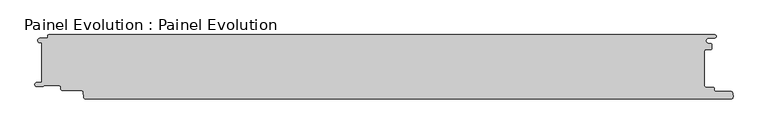
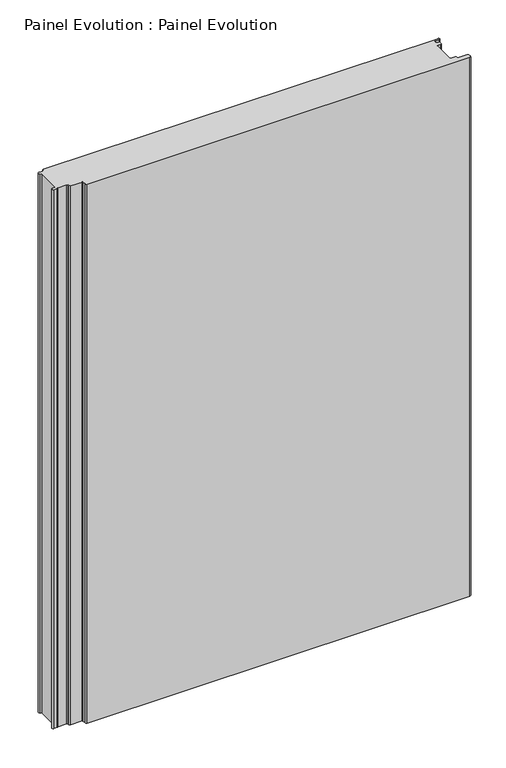
"""IFC4 building model written with IfcOpenShell, lengths in millimetres: proxy geometry, Painel Evolution : Painel Evolution."""

from ifc_helpers import new_model, si_unit, point, frame_2d, origin, origin_with_axes, place, context, project, spatial, polyline, circle_curve, trimmed, segment, composite_curve, outline, extrude, source, transform, mapped, element, save


def painel_evolution_painel_evolution_28e3cf3b(model_context):
    return source(origin(), model_context, "Body", "SweptSolid", [
        extrude(outline(composite_curve([segment(trimmed(circle_curve(frame_2d((511.313274, 34.7225035)), 1.5999999), [point((511.5911111, 36.2981958))], [point((512.912729, 34.7642596))], False, "CARTESIAN"), True, "CONTINUOUS"), segment(polyline([(512.912729, 34.7642596), (512.912729, 28.1436506)]), True, "CONTINUOUS"), segment(trimmed(circle_curve(frame_2d((511.8673147, 28.1436506)), 1.0454142), [point((512.912729, 28.1436506))], [point((511.8673147, 27.0982364))], False, "CARTESIAN"), True, "CONTINUOUS"), segment(polyline([(511.8673147, 27.0982364), (503.9512072, 27.0982364)]), True, "CONTINUOUS"), segment(trimmed(circle_curve(frame_2d((503.9512072, 24.7482365)), 2.3499999), [point((503.9512072, 27.0982364))], [point((501.6012073, 24.7482365))], True, "CARTESIAN"), True, "CONTINUOUS"), segment(polyline([(501.6012073, 24.7482365), (501.6012073, -29.6548179)]), True, "CONTINUOUS"), segment(trimmed(circle_curve(frame_2d((503.9512072, -29.6548179)), 2.3499999), [point((501.6012073, -29.6548179))], [point((503.9512072, -32.0048179))], True, "CARTESIAN"), True, "CONTINUOUS"), segment(polyline([(503.9512072, -32.0048179), (514.620698, -32.0048179)]), True, "CONTINUOUS"), segment(trimmed(circle_curve(frame_2d((514.620698, -34.4048179)), 2.4), [point((514.620698, -32.0048179))], [point((517.020698, -34.4048179))], False, "CARTESIAN"), True, "CONTINUOUS"), segment(polyline([(517.020698, -34.4048179), (517.020698, -36.4048176)]), True, "CONTINUOUS"), segment(trimmed(circle_curve(frame_2d((518.620698, -36.4048176)), 1.6), [point((517.020698, -36.4048176))], [point((518.620698, -38.0048176))], True, "CARTESIAN"), True, "CONTINUOUS"), segment(polyline([(518.620698, -38.0048176), (542.0114544, -38.0048176)]), True, "CONTINUOUS"), segment(trimmed(circle_curve(frame_2d((542.0114544, -41.7048175)), 3.6999999), [point((542.0114544, -38.0048176))], [point((545.6606899, -41.0940152))], False, "CARTESIAN"), True, "CONTINUOUS"), segment(polyline([(545.6606899, -41.0940152), (546.1021208, -46.1370337)]), True, "CONTINUOUS"), segment(trimmed(circle_curve(frame_2d((542.5514013, -46.4373369)), 3.563396), [point((546.1021208, -46.1370337))], [point((542.6236695, -50.0))], False, "CARTESIAN"), True, "CONTINUOUS"), segment(polyline([(542.6236695, -50.0), (-459.4023864, -50.0)]), True, "CONTINUOUS"), segment(trimmed(circle_curve(frame_2d((-459.3507103, -47.1106339)), 2.8898282), [point((-459.4023864, -50.0))], [point((-462.2295384, -47.3625382))], False, "CARTESIAN"), True, "CONTINUOUS"), segment(polyline([(-462.2295384, -47.3625382), (-462.9760411, -38.8313116)]), True, "CONTINUOUS"), segment(trimmed(circle_curve(frame_2d((-464.9959051, -39.0080546)), 2.027582), [point((-462.9760411, -38.8313116))], [point((-463.3872648, -37.7738078))], True, "CARTESIAN"), True, "CONTINUOUS"), segment(trimmed(circle_curve(frame_2d((-464.9740222, -38.9912647)), 2.0), [point((-463.3872648, -37.7738078))], [point((-464.9818684, -36.99128))], True, "CARTESIAN"), True, "CONTINUOUS"), segment(polyline([(-464.9818684, -36.99128), (-494.9687938, -36.99128)]), True, "CONTINUOUS"), segment(trimmed(circle_curve(frame_2d((-494.9687938, -34.19128)), 2.8), [point((-494.9687938, -36.99128))], [point((-497.7687939, -34.19128))], False, "CARTESIAN"), True, "CONTINUOUS"), segment(polyline([(-497.7687939, -34.19128), (-497.7687939, -31.9007195)]), True, "CONTINUOUS"), segment(trimmed(circle_curve(frame_2d((-500.7687939, -31.9007195)), 3.0), [point((-497.7687939, -31.9007195))], [point((-500.7687939, -28.9007195))], True, "CARTESIAN"), True, "CONTINUOUS"), segment(polyline([(-500.7687939, -28.9007195), (-522.8062687, -28.9007195)]), True, "CONTINUOUS"), segment(trimmed(circle_curve(frame_2d((-522.8062687, -30.5007195)), 1.6), [point((-522.8062687, -28.9007195))], [point((-524.0123453, -29.4493494))], True, "CARTESIAN"), True, "CONTINUOUS"), segment(trimmed(circle_curve(frame_2d((-526.7593331, -27.7294942)), 3.2409634), [point((-524.0123453, -29.4493494))], [point((-525.2140128, -30.5783236))], False, "CARTESIAN"), True, "CONTINUOUS"), segment(trimmed(circle_curve(frame_2d((-526.3266399, -28.4518098)), 2.4), [point((-525.2140128, -30.5783236))], [point((-526.4215824, -30.8499312))], False, "CARTESIAN"), True, "CONTINUOUS"), segment(polyline([(-526.4215824, -30.8499312), (-534.7667193, -30.8499312)]), True, "CONTINUOUS"), segment(trimmed(circle_curve(frame_2d((-534.7667193, -27.5812398)), 3.2686913), [point((-534.7667193, -30.8499312))], [point((-534.9577702, -24.3181366))], False, "CARTESIAN"), True, "CONTINUOUS"), segment(polyline([(-534.9577702, -24.3181366), (-527.1155186, -24.3181366), (-527.1155186, 37.4922678), (-530.6488863, 37.4922678)]), True, "CONTINUOUS"), segment(trimmed(circle_curve(frame_2d((-529.8390625, 41.0)), 3.6), [point((-530.6488863, 37.4922678))], [point((-529.8390625, 44.6))], False, "CARTESIAN"), True, "CONTINUOUS"), segment(polyline([(-529.8390625, 44.6), (-520.0390625, 44.6)]), True, "CONTINUOUS"), segment(trimmed(circle_curve(frame_2d((-520.0390625, 46.6)), 2.0), [point((-520.0390625, 44.6))], [point((-518.0390625, 46.6))], True, "CARTESIAN"), True, "CONTINUOUS"), segment(polyline([(-518.0390625, 46.6), (-518.0390625, 48.0)]), True, "CONTINUOUS"), segment(trimmed(circle_curve(frame_2d((-516.0390625, 48.0)), 2.0), [point((-518.0390625, 48.0))], [point((-516.0390625, 50.0))], False, "CARTESIAN"), True, "CONTINUOUS"), segment(polyline([(-516.0390625, 50.0), (517.4609375, 50.0)]), True, "CONTINUOUS"), segment(trimmed(circle_curve(frame_2d((517.4609375, 47.5)), 2.5), [point((517.4609375, 50.0))], [point((517.4609375, 45.0))], False, "CARTESIAN"), True, "CONTINUOUS"), segment(polyline([(517.4609375, 45.0), (508.1893843, 45.0)]), True, "CONTINUOUS"), segment(trimmed(circle_curve(frame_2d((508.1893843, 40.6490979)), 4.3509021), [point((508.1893843, 45.0))], [point((508.1893843, 36.2981958))], True, "CARTESIAN"), True, "CONTINUOUS"), segment(polyline([(508.1893843, 36.2981958), (511.5911111, 36.2981958)]), True, "CONTINUOUS")], self_intersect=False)), origin_with_axes(), (0.0, 0.0, 1.0), 1490.0),
    ])


if __name__ == "__main__":
    model = new_model("IFC4")
    model_context = context("Model", 3, world=origin())
    ifc_project = project(units=[si_unit("LENGTHUNIT", "METRE", prefix="MILLI")], contexts=[model_context])
    site = spatial("IfcSite", under=ifc_project)
    building = spatial("IfcBuilding", under=site)
    placement = place(None, origin())
    painel_evolution_painel_evolution_shape = painel_evolution_painel_evolution_28e3cf3b(model_context)
    element("IfcBuildingElementProxy", 1, Name="Painel Evolution : Painel Evolution", ObjectType="Painel Evolution : Painel Evolution", at=placement, inside=building, context=model_context, shape_type="MappedRepresentation", body=[
        mapped(painel_evolution_painel_evolution_shape, transform((0.0, 0.0, 0.0), x_axis=(1.0, 0.0, 0.0), y_axis=(0.0, 1.0, 0.0), z_axis=(0.0, 0.0, 1.0))),
    ])
    save(model, "model.ifc")
